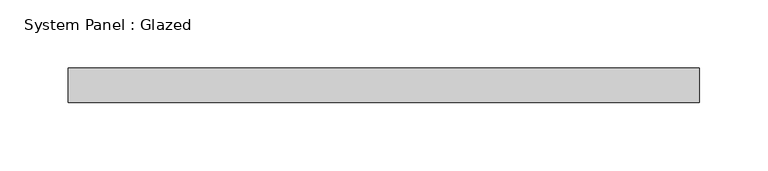
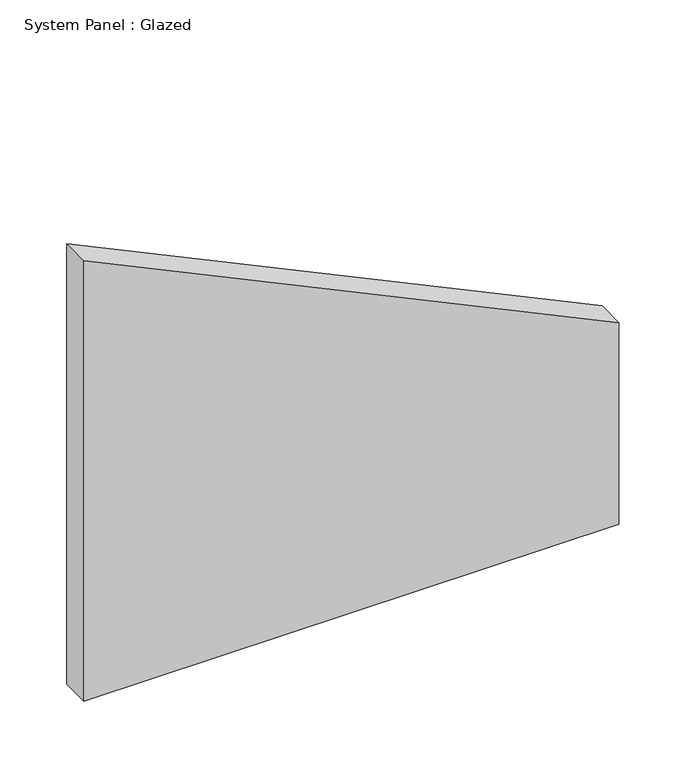
"""IFC4 building model written with IfcOpenShell, lengths in millimetres: plate geometry, System Panel : Glazed."""

from ifc_helpers import new_model, si_unit, frame, origin, place, context, project, spatial, polyline, outline, extrude, source, transform, mapped, element, save


def system_panel_glazed_cdab16ec(model_context):
    return source(origin(), model_context, "Body", "SweptSolid", [
        extrude(outline(polyline([(0.0, -231.66831), (0.0, 231.66831), (184.3615189, 231.66831), (403.0519061, -231.66831), (0.0, -231.66831)])), frame((0.0, 19.05, 0.0), z_axis=(0.0, 1.0, 0.0), x_axis=(0.0, 0.0, 1.0)), (0.0, 0.0, 1.0), 25.4),
    ])


if __name__ == "__main__":
    model = new_model("IFC4")
    model_context = context("Model", 3, world=origin())
    ifc_project = project(units=[si_unit("LENGTHUNIT", "METRE", prefix="MILLI")], contexts=[model_context])
    site = spatial("IfcSite", under=ifc_project)
    building = spatial("IfcBuilding", under=site)
    placement = place(None, origin())
    system_panel_glazed_shape = system_panel_glazed_cdab16ec(model_context)
    element("IfcPlate", 1, ObjectType="System Panel : Glazed", at=placement, inside=building, context=model_context, shape_type="MappedRepresentation", body=[
        mapped(system_panel_glazed_shape, transform((0.0, 0.0, 0.0), x_axis=(1.0, 0.0, 0.0), y_axis=(0.0, 1.0, 0.0), z_axis=(0.0, 0.0, 1.0))),
    ])
    save(model, "model.ifc")
